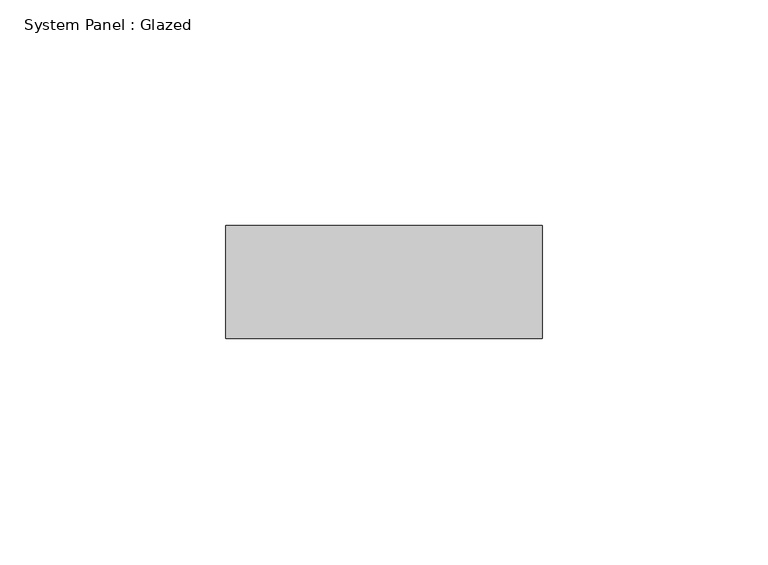
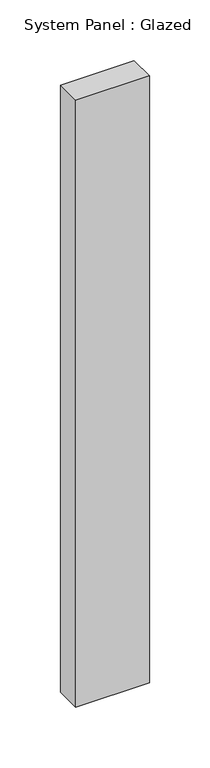
"""IFC4 building model written with IfcOpenShell, lengths in millimetres: plate geometry, System Panel : Glazed."""

from ifc_helpers import new_model, si_unit, origin, origin_with_axes, place, context, project, spatial, polyline, outline, extrude, source, transform, mapped, element, save


def system_panel_glazed_1afa17d7(model_context):
    return source(origin(), model_context, "Body", "SweptSolid", [
        extrude(outline(polyline([(35.0, 24.5), (-35.0, 24.5), (-35.0, 49.5), (35.0, 49.5), (35.0, 24.5)])), origin_with_axes(), (0.0, 0.0, 1.0), 610.0),
    ])


if __name__ == "__main__":
    model = new_model("IFC4")
    model_context = context("Model", 3, world=origin())
    ifc_project = project(units=[si_unit("LENGTHUNIT", "METRE", prefix="MILLI")], contexts=[model_context])
    site = spatial("IfcSite", under=ifc_project)
    building = spatial("IfcBuilding", under=site)
    placement = place(None, origin())
    system_panel_glazed_shape = system_panel_glazed_1afa17d7(model_context)
    element("IfcPlate", 1, ObjectType="System Panel : Glazed", at=placement, inside=building, context=model_context, shape_type="MappedRepresentation", body=[
        mapped(system_panel_glazed_shape, transform((0.0, 0.0, 0.0), x_axis=(1.0, 0.0, 0.0), y_axis=(0.0, 1.0, 0.0), z_axis=(0.0, 0.0, 1.0))),
    ])
    save(model, "model.ifc")
